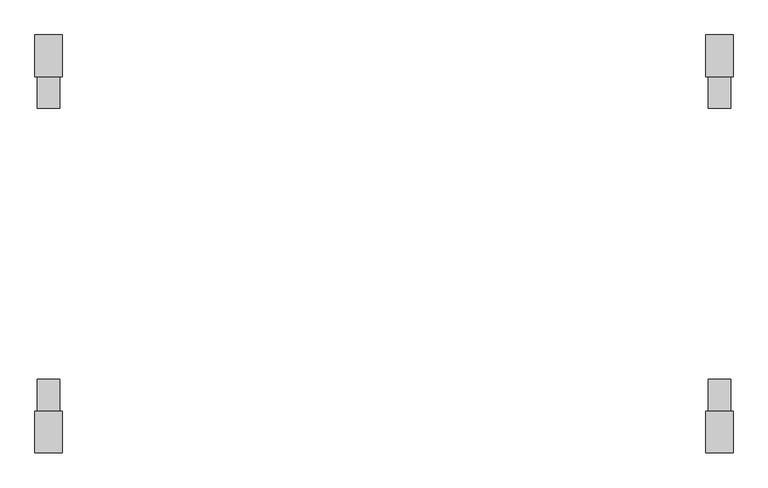
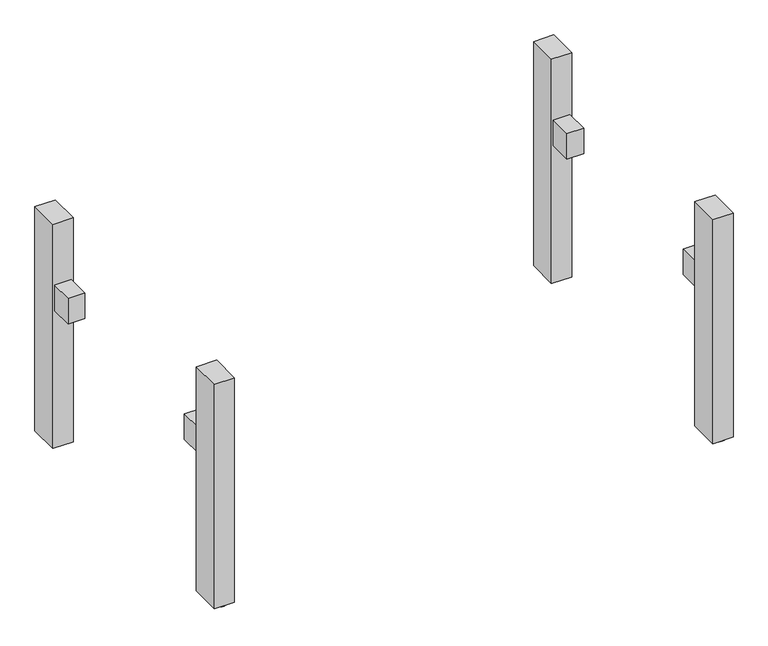
"""IFC4 building model written with IfcOpenShell, lengths in millimetres: furniture geometry."""

from ifc_helpers import new_model, si_unit, point, frame, frame_2d, origin, origin_with_axes, place, context, project, spatial, polyline, circle_curve, trimmed, segment, composite_curve, outline, extrude, source, transform, mapped, element, save


def furniture_7f0a99c0(model_context):
    return source(origin(), model_context, "Body", "SweptSolid", [
        extrude(outline(polyline([(-765.0, -369.0), (-765.0, -299.0), (-715.0, -299.0), (-715.0, -369.0), (-765.0, -369.0)])), frame((0.0, 0.0, 437.5), z_axis=(0.0, 0.0, 1.0), x_axis=(1.0, 0.0, 0.0)), (0.0, 0.0, 1.0), 80.0),
        extrude(outline(polyline([(715.0, -369.0), (715.0, -299.0), (765.0, -299.0), (765.0, -369.0), (715.0, -369.0)])), frame((0.0, 0.0, 437.5), z_axis=(0.0, 0.0, 1.0), x_axis=(1.0, 0.0, 0.0)), (0.0, 0.0, 1.0), 80.0),
        extrude(outline(polyline([(-715.0, 369.0), (-715.0, 299.0), (-765.0, 299.0), (-765.0, 369.0), (-715.0, 369.0)])), frame((0.0, 0.0, 437.5), z_axis=(0.0, 0.0, 1.0), x_axis=(1.0, 0.0, 0.0)), (0.0, 0.0, 1.0), 80.0),
        extrude(outline(polyline([(765.0, 369.0), (765.0, 299.0), (715.0, 299.0), (715.0, 369.0), (765.0, 369.0)])), frame((0.0, 0.0, 437.5), z_axis=(0.0, 0.0, 1.0), x_axis=(1.0, 0.0, 0.0)), (0.0, 0.0, 1.0), 80.0),
        extrude(outline(composite_curve([segment(trimmed(circle_curve(frame_2d((-739.9999984, -431.0)), 25.0), [point((-764.9999984, -431.0))], [point((-714.9999984, -431.0))], False, "CARTESIAN"), True, "CONTINUOUS"), segment(trimmed(circle_curve(frame_2d((-739.9999984, -431.0)), 25.0), [point((-714.9999984, -431.0))], [point((-764.9999984, -431.0))], False, "CARTESIAN"), True, "CONTINUOUS")], self_intersect=False)), origin_with_axes(), (0.0, 0.0, 1.0), 6.0),
        extrude(outline(composite_curve([segment(trimmed(circle_curve(frame_2d((739.9999984, -431.0)), 25.0), [point((714.9999984, -431.0))], [point((764.9999984, -431.0))], False, "CARTESIAN"), True, "CONTINUOUS"), segment(trimmed(circle_curve(frame_2d((739.9999984, -431.0)), 25.0), [point((764.9999984, -431.0))], [point((714.9999984, -431.0))], False, "CARTESIAN"), True, "CONTINUOUS")], self_intersect=False)), origin_with_axes(), (0.0, 0.0, 1.0), 6.0),
        extrude(outline(composite_curve([segment(trimmed(circle_curve(frame_2d((-739.9999984, 431.0)), 25.0), [point((-764.9999984, 431.0))], [point((-714.9999984, 431.0))], False, "CARTESIAN"), True, "CONTINUOUS"), segment(trimmed(circle_curve(frame_2d((-739.9999984, 431.0)), 25.0), [point((-714.9999984, 431.0))], [point((-764.9999984, 431.0))], False, "CARTESIAN"), True, "CONTINUOUS")], self_intersect=False)), origin_with_axes(), (0.0, 0.0, 1.0), 6.0),
        extrude(outline(composite_curve([segment(trimmed(circle_curve(frame_2d((739.9999984, 431.0)), 25.0), [point((714.9999984, 431.0))], [point((764.9999984, 431.0))], False, "CARTESIAN"), True, "CONTINUOUS"), segment(trimmed(circle_curve(frame_2d((739.9999984, 431.0)), 25.0), [point((764.9999984, 431.0))], [point((714.9999984, 431.0))], False, "CARTESIAN"), True, "CONTINUOUS")], self_intersect=False)), origin_with_axes(), (0.0, 0.0, 1.0), 6.0),
        extrude(outline(polyline([(-709.9999968, 461.0), (-709.9999968, 369.0), (-770.0, 369.0), (-770.0, 461.0), (-709.9999968, 461.0)])), frame((0.0, 0.0, 6.0), z_axis=(0.0, 0.0, 1.0), x_axis=(1.0, 0.0, 0.0)), (0.0, 0.0, 1.0), 704.0),
        extrude(outline(polyline([(709.9999968, 461.0), (770.0, 461.0), (770.0, 369.0), (709.9999968, 369.0), (709.9999968, 461.0)])), frame((0.0, 0.0, 6.0), z_axis=(0.0, 0.0, 1.0), x_axis=(1.0, 0.0, 0.0)), (0.0, 0.0, 1.0), 704.0),
        extrude(outline(polyline([(-709.9999968, -461.0), (-770.0, -461.0), (-770.0, -369.0), (-709.9999968, -369.0), (-709.9999968, -461.0)])), frame((0.0, 0.0, 6.0), z_axis=(0.0, 0.0, 1.0), x_axis=(1.0, 0.0, 0.0)), (0.0, 0.0, 1.0), 704.0),
        extrude(outline(polyline([(709.9999968, -461.0), (709.9999968, -369.0), (770.0, -369.0), (770.0, -461.0), (709.9999968, -461.0)])), frame((0.0, 0.0, 6.0), z_axis=(0.0, 0.0, 1.0), x_axis=(1.0, 0.0, 0.0)), (0.0, 0.0, 1.0), 704.0),
    ])


if __name__ == "__main__":
    model = new_model("IFC4")
    model_context = context("Model", 3, world=origin())
    ifc_project = project(units=[si_unit("LENGTHUNIT", "METRE", prefix="MILLI")], contexts=[model_context])
    site = spatial("IfcSite", under=ifc_project)
    building = spatial("IfcBuilding", under=site)
    placement = place(None, origin())
    furniture_shape = furniture_7f0a99c0(model_context)
    element("IfcFurniture", 1, at=placement, inside=building, context=model_context, shape_type="MappedRepresentation", body=[
        mapped(furniture_shape, transform((0.0, 0.0, 0.0), x_axis=(1.0, 0.0, 0.0), y_axis=(0.0, 1.0, 0.0), z_axis=(0.0, 0.0, 1.0))),
    ])
    save(model, "model.ifc")
